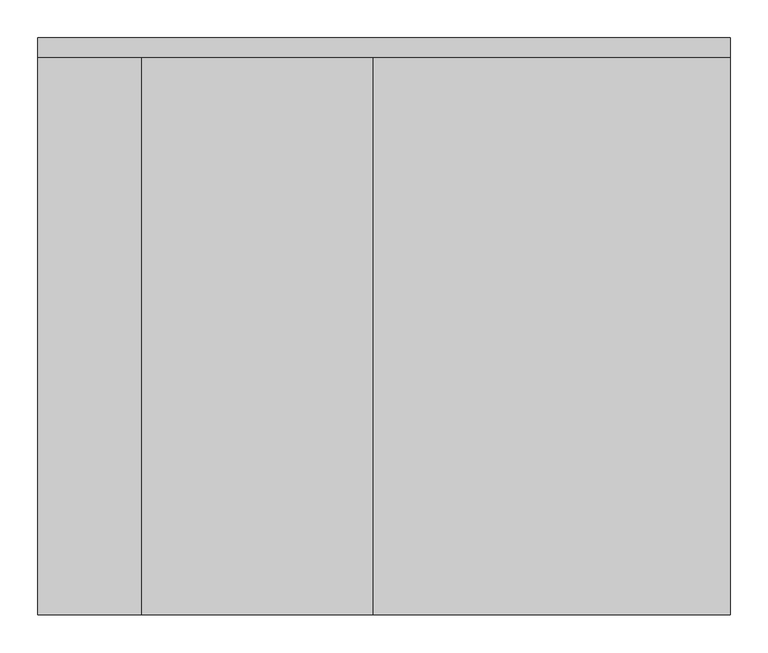
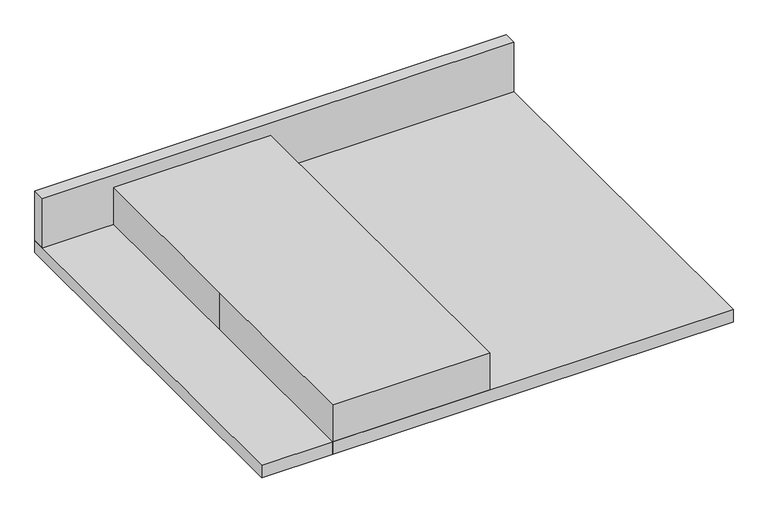
"""IFC4 building model written with IfcOpenShell, lengths in millimetres: proxy geometry."""

from ifc_helpers import new_model, si_unit, frame, origin, origin_with_axes, place, context, project, spatial, polyline, outline, extrude, source, transform, mapped, element, save


def specialty_equipment_91f99d6f(model_context):
    return source(origin(), model_context, "Body", "SweptSolid", [
        extrude(outline(polyline([(-289.8640443, 355.6), (-289.8640443, 381.0), (624.5359557, 381.0), (624.5359557, 355.6), (-289.8640443, 355.6)])), frame((0.0, 0.0, 25.4), z_axis=(0.0, 0.0, 1.0), x_axis=(1.0, 0.0, 0.0)), (0.0, 0.0, 1.0), 101.6),
        extrude(outline(polyline([(624.5359557, 381.0), (624.5359557, -381.0), (-289.8640443, -381.0), (-289.8640443, 381.0), (624.5359557, 381.0)])), origin_with_axes(), (0.0, 0.0, 1.0), 25.4),
        extrude(outline(polyline([(-152.4, 381.0), (152.4, 381.0), (152.4, -381.0), (-152.4, -381.0), (-152.4, 0.0), (-152.4, 381.0)])), origin_with_axes(), (0.0, 0.0, 1.0), 101.6),
    ])


if __name__ == "__main__":
    model = new_model("IFC4")
    model_context = context("Model", 3, world=origin())
    ifc_project = project(units=[si_unit("LENGTHUNIT", "METRE", prefix="MILLI")], contexts=[model_context])
    site = spatial("IfcSite", under=ifc_project)
    building = spatial("IfcBuilding", under=site)
    placement = place(None, origin())
    specialty_equipment_shape = specialty_equipment_91f99d6f(model_context)
    element("IfcBuildingElementProxy", 1, Name="Specialty Equipment", at=placement, inside=building, context=model_context, shape_type="MappedRepresentation", body=[
        mapped(specialty_equipment_shape, transform((0.0, 0.0, 0.0), x_axis=(1.0, 0.0, 0.0), y_axis=(0.0, 1.0, 0.0), z_axis=(0.0, 0.0, 1.0))),
    ])
    save(model, "model.ifc")
